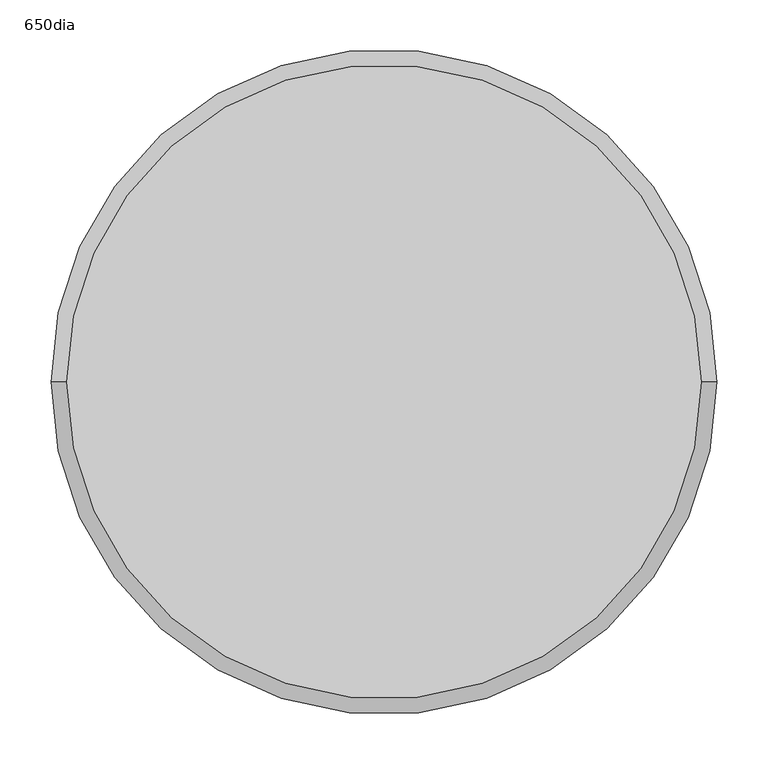
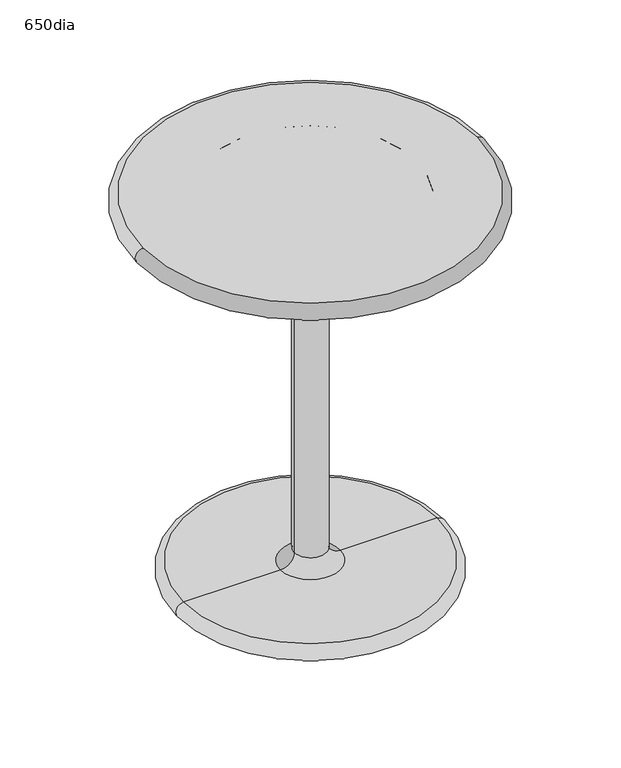
"""IFC4 building model written with IfcOpenShell, lengths in millimetres: furniture geometry, 650dia."""

import ifcopenshell
import ifcopenshell.guid

model = None  # the IFC model being written
_history = None  # IfcOwnerHistory: only IFC2X3 demands one
_inside = {}  # id of a spatial element -> (the spatial element, [elements in it])
_under = {}  # id of a project, library or spatial element -> (it, [spatial elements below it])
_declared = {}  # id of a project -> (the project, [libraries it declares])
_typed = {}  # id of a type object -> (the type object, [elements of that type])
_made_of = {}  # id of a material, layer set ... -> (it, [elements and type objects made of it])


def new_model(schema):
    """Start an empty IFC model of exactly this schema.

    Asked for "IFC4X3", IfcOpenShell would pick the latest addendum, in which some entities
    have other attributes; the version numbers below select the first issue.
    IFC2X3 requires an IfcOwnerHistory on every rooted entity: one is made here for all.
    """
    global model, _history
    if schema == "IFC4X3":
        model = ifcopenshell.file(schema_version=(4, 3, 0, 0))
    else:
        model = ifcopenshell.file(schema=schema)
    _inside.clear()
    _under.clear()
    _declared.clear()
    _typed.clear()
    _made_of.clear()
    _history = None
    if model.schema == "IFC2X3":
        org = make("IfcOrganization", Name="unknown")
        user = make(
            "IfcPersonAndOrganization",
            ThePerson=make("IfcPerson", FamilyName="unknown"),
            TheOrganization=org,
        )
        app = make(
            "IfcApplication",
            ApplicationDeveloper=org,
            Version="unknown",
            ApplicationFullName="unknown",
            ApplicationIdentifier="unknown",
        )
        _history = make(
            "IfcOwnerHistory",
            OwningUser=user,
            OwningApplication=app,
            ChangeAction="ADDED",
            CreationDate=0,
        )
    return model


def make(cls, **values):
    """One entity of the class cls with the attributes given. An attribute that is None is left unset."""
    return model.create_entity(
        cls, **{name: value for name, value in values.items() if value is not None}
    )


def rooted(cls, **values):
    """An entity with a GlobalId (a new one), such as an element, a storey or a relation."""
    return make(cls, GlobalId=ifcopenshell.guid.new(), OwnerHistory=_history, **values)


def si_unit(unit_type, name, prefix=None):
    """IfcSIUnit, for example si_unit("LENGTHUNIT", "METRE", prefix="MILLI")."""
    return make("IfcSIUnit", UnitType=unit_type, Prefix=prefix, Name=name)


def assignment(units):
    """IfcUnitAssignment: the units of a project."""
    return None if units is None else make("IfcUnitAssignment", Units=units)


def point(xyz):
    """IfcCartesianPoint."""
    return None if xyz is None else make("IfcCartesianPoint", Coordinates=xyz)


def direction(xyz):
    """IfcDirection."""
    return None if xyz is None else make("IfcDirection", DirectionRatios=xyz)


def frame(location, z_axis=None, x_axis=None):
    """IfcAxis2Placement3D, a coordinate frame: its origin and axes. An axis left out is left unset."""
    return make(
        "IfcAxis2Placement3D",
        Location=point(location),
        Axis=direction(z_axis),
        RefDirection=direction(x_axis),
    )


def origin():
    """The frame at (0, 0, 0) with its axes left unset."""
    return frame((0.0, 0.0, 0.0))


def place(relative_to, where):
    """IfcLocalPlacement: puts the frame where relative to a parent placement (None: the world)."""
    return make(
        "IfcLocalPlacement", PlacementRelTo=relative_to, RelativePlacement=where
    )


def context(
    kind, dimensions, precision=None, world=None, true_north=None, identifier=None
):
    """IfcGeometricRepresentationContext, for example the 3D "Model" context."""
    return make(
        "IfcGeometricRepresentationContext",
        ContextIdentifier=identifier,
        ContextType=kind,
        CoordinateSpaceDimension=dimensions,
        Precision=precision,
        WorldCoordinateSystem=world,
        TrueNorth=true_north,
    )


def project(units=None, contexts=None):
    """IfcProject with its units and contexts."""
    return rooted(
        "IfcProject",
        Name="project",
        RepresentationContexts=contexts,
        UnitsInContext=assignment(units),
    )


def spatial(cls, under=None, at=None, **own):
    """A site, building, storey or space (cls), placed at a placement, below another one or the project."""
    s = rooted(cls, ObjectPlacement=at, **own)
    if under is not None:
        _under.setdefault(under.id(), (under, []))[1].append(s)
    return s


def circle_curve(where, radius):
    """IfcCircle in the frame where."""
    return make("IfcCircle", Position=where, Radius=radius)


def ellipse_curve(where, semi_axis1, semi_axis2):
    """IfcEllipse in the frame where."""
    return make(
        "IfcEllipse", Position=where, SemiAxis1=semi_axis1, SemiAxis2=semi_axis2
    )


def trimmed(basis, trim1, trim2, sense, master):
    """IfcTrimmedCurve: the piece of a basis curve between two trims."""
    return make(
        "IfcTrimmedCurve",
        BasisCurve=basis,
        Trim1=trim1,
        Trim2=trim2,
        SenseAgreement=sense,
        MasterRepresentation=master,
    )


def shape(context_of_items, identifier, shape_type, items):
    """IfcShapeRepresentation: the items that make up one representation, for example the "Body"."""
    return make(
        "IfcShapeRepresentation",
        ContextOfItems=context_of_items,
        RepresentationIdentifier=identifier,
        RepresentationType=shape_type,
        Items=items,
    )


def source(mapping_origin, context_of_items, identifier, shape_type, items):
    """IfcRepresentationMap: a shape defined once, which mapped items show again and again."""
    return make(
        "IfcRepresentationMap",
        MappingOrigin=mapping_origin,
        MappedRepresentation=shape(context_of_items, identifier, shape_type, items),
    )


def transform(
    local_origin,
    x_axis=None,
    y_axis=None,
    z_axis=None,
    scale=None,
    scale2=None,
    scale3=None,
    uniform=True,
):
    """IfcCartesianTransformationOperator3D, or its non-uniform kind. x_axis, y_axis, z_axis: its Axis1, 2, 3."""
    if uniform:
        return make(
            "IfcCartesianTransformationOperator3D",
            Axis1=direction(x_axis),
            Axis2=direction(y_axis),
            LocalOrigin=point(local_origin),
            Scale=scale,
            Axis3=direction(z_axis),
        )
    return make(
        "IfcCartesianTransformationOperator3DnonUniform",
        Axis1=direction(x_axis),
        Axis2=direction(y_axis),
        LocalOrigin=point(local_origin),
        Scale=scale,
        Axis3=direction(z_axis),
        Scale2=scale2,
        Scale3=scale3,
    )


def mapped(mapping_source, mapping_target):
    """IfcMappedItem: shows the shape of a source again, moved by a transform."""
    return make(
        "IfcMappedItem", MappingSource=mapping_source, MappingTarget=mapping_target
    )


def made_of(thing, what):
    """Note that an element or type object is made of a material, layer set ...; save() writes the relation."""
    if what is not None:
        _made_of.setdefault(what.id(), (what, []))[1].append(thing)
    return thing


def element(
    cls,
    number,
    at=None,
    inside=None,
    cuts=None,
    type_object=None,
    material=None,
    context=None,
    identifier="Body",
    shape_type=None,
    held_by="IfcProductDefinitionShape",
    body=None,
    shapes=None,
    **own,
):
    """One element of the class cls, such as IfcWall. Its Tag is "e" and its number.

    at: its placement. inside: the storey or other place that contains it. cuts: it is an
    opening in that element (IfcRelVoidsElement). A single representation is given by context,
    identifier, shape_type and body (its items); several are given by shapes. held_by: the class
    of the entity that holds the representations. save() writes the other relations.
    """
    e = rooted(cls, Tag="e%d" % number, ObjectPlacement=at, **own)
    if body is not None:
        shapes = [shape(context, identifier, shape_type, body)]
    if shapes is not None:
        e.Representation = make(held_by, Representations=shapes)
    if inside is not None:
        _inside.setdefault(inside.id(), (inside, []))[1].append(e)
    if cuts is not None:
        rooted(
            "IfcRelVoidsElement", RelatingBuildingElement=cuts, RelatedOpeningElement=e
        )
    if type_object is not None:
        _typed.setdefault(type_object.id(), (type_object, []))[1].append(e)
    return made_of(e, material)


def aggregate(whole, parts):
    """IfcRelAggregates: a whole, such as a stair, and the parts it consists of."""
    return rooted("IfcRelAggregates", RelatingObject=whole, RelatedObjects=parts)


def save(model, path):
    """Write the relations noted so far, then the file.

    IfcRelAggregates (storeys below a building ...), IfcRelContainedInSpatialStructure (elements
    in a storey), IfcRelDefinesByType, IfcRelAssociatesMaterial and IfcRelDeclares: one each for
    every whole, place, type object, material and project.
    """
    for whole, parts in _under.values():
        aggregate(whole, parts)
    for where, things in _inside.values():
        rooted(
            "IfcRelContainedInSpatialStructure",
            RelatedElements=things,
            RelatingStructure=where,
        )
    for kind, things in _typed.values():
        rooted("IfcRelDefinesByType", RelatedObjects=things, RelatingType=kind)
    for what, things in _made_of.values():
        rooted("IfcRelAssociatesMaterial", RelatedObjects=things, RelatingMaterial=what)
    for by, libraries in _declared.values():
        rooted("IfcRelDeclares", RelatingContext=by, RelatedDefinitions=libraries)
    model.write(path)


def plane_surface(at):
    """IfcPlane: the flat surface through the origin of the frame at, square to its z axis."""
    return make("IfcPlane", Position=at)


def cylinder_surface(at, radius):
    """IfcCylindricalSurface: all points at the distance radius from the z axis of the frame at."""
    return make("IfcCylindricalSurface", Position=at, Radius=radius)


def revolved_surface(curve, axis_point, axis_direction):
    """IfcSurfaceOfRevolution: the curve turned about the line through axis_point along axis_direction."""
    return make(
        "IfcSurfaceOfRevolution",
        SweptCurve=make("IfcArbitraryOpenProfileDef", ProfileType="CURVE", Curve=curve),
        AxisPosition=make("IfcAxis1Placement", Location=point(axis_point), Axis=direction(axis_direction)),
    )


def advanced_brep(points, edges, surfaces, faces):
    """IfcAdvancedBrep: a solid bounded by faces that lie on surfaces and meet in shared edges.

    An edge is (start, end): straight between two places in points (the first is 0);
    or (start, end, curve); or (start, end, curve, False) where it runs against its curve.
    A face is (place in surfaces, loops), or (place, loops, False) where it looks against
    its surface's normal. A loop lists edges by number (the first is 1), with a minus sign
    where the edge is run from its end to its start. The first loop is the outer one.
    """
    corners = [point(p) for p in points]
    vertices = [make("IfcVertexPoint", VertexGeometry=c) for c in corners]
    made = []
    for start, end, *more in edges:
        made.append(
            make(
                "IfcEdgeCurve",
                EdgeStart=vertices[start],
                EdgeEnd=vertices[end],
                EdgeGeometry=more[0] if more else make("IfcPolyline", Points=[corners[start], corners[end]]),
                SameSense=more[1] if len(more) > 1 else True,
            )
        )
    hull = []
    for where, loops, *sense in faces:
        bounds = []
        for j, loop in enumerate(loops):
            ring = [make("IfcOrientedEdge", EdgeElement=made[abs(k) - 1], Orientation=k > 0) for k in loop]
            bounds.append(
                make(
                    "IfcFaceOuterBound" if j == 0 else "IfcFaceBound",
                    Bound=make("IfcEdgeLoop", EdgeList=ring),
                    Orientation=True,
                )
            )
        hull.append(make("IfcAdvancedFace", Bounds=bounds, FaceSurface=surfaces[where], SameSense=sense[0] if sense else True))
    return make("IfcAdvancedBrep", Outer=make("IfcClosedShell", CfsFaces=hull))


def furniture_650dia_da389015(model_context):
    return source(origin(), model_context, "Body", "AdvancedBrep", [
        advanced_brep(
        [(-309.7586126, 0.0, 750.0709295), (309.7586126, 0.0, 750.0709295), (309.7586126, 0.0, 719.9289484), (-309.7586126, 0.0, 719.9289484)],
        [
            (0, 1, circle_curve(frame((0.0, 0.0, 750.0709295), z_axis=(0.0, 0.0, 1.0), x_axis=(-1.0, 0.0, 0.0)), 309.7586126)),
            (1, 0, circle_curve(frame((0.0, 0.0, 750.0709295), z_axis=(0.0, 0.0, 1.0), x_axis=(1.0, 0.0, 0.0)), 309.7586126)),
            (2, 3, circle_curve(frame((0.0, 0.0, 719.9289484), z_axis=(0.0, 0.0, -1.0), x_axis=(-1.0, 0.0, 0.0)), 309.7586126)),
            (3, 2, circle_curve(frame((0.0, 0.0, 719.9289484), z_axis=(0.0, 0.0, -1.0), x_axis=(1.0, 0.0, 0.0)), 309.7586126)),
            (0, 3, circle_curve(frame((-309.7586126, 0.0, 734.999939), z_axis=(0.0, -1.0, 0.0), x_axis=(1.0, 0.0, 0.0)), 15.0709905)),
            (2, 1, circle_curve(frame((309.7586126, 0.0, 734.999939), z_axis=(0.0, -1.0, 0.0), x_axis=(-1.0, 0.0, 0.0)), 15.0709905)),
        ],
        [
            plane_surface(frame((-309.7586126, 0.0, 750.0709295), z_axis=(0.0, 0.0, 1.0), x_axis=(0.0, -1.0, 0.0))),
            plane_surface(frame((-309.7586126, 0.0, 719.9289484), z_axis=(0.0, 0.0, -1.0), x_axis=(0.0, 1.0, 0.0))),
            revolved_surface(trimmed(ellipse_curve(frame((-309.7586126, 0.0, 734.999939), z_axis=(0.0, 1.0, 0.0), x_axis=(1.0, 0.0, 0.0)), 15.0709905, 15.0709905), [point((-309.7586126, 0.0, 719.9289484))], [point((-309.7586126, 0.0, 750.0709295))], True, "CARTESIAN"), (0.0, 0.0, 0.0), (0.0, 0.0, 1.0)),
            revolved_surface(trimmed(ellipse_curve(frame((309.7586126, 0.0, 734.999939), z_axis=(0.0, -1.0, 0.0), x_axis=(-1.0, 0.0, 0.0)), 15.0709905, 15.0709905), [point((309.7586126, 0.0, 719.9289484))], [point((309.7586126, 0.0, 750.0709295))], True, "CARTESIAN"), (0.0, 0.0, 0.0), (0.0, 0.0, 1.0)),
        ],
        [
            (0, [[1, 2]]),
            (1, [[3, 4]]),
            (2, [[5, -3, 6, -1]]),
            (3, [[-5, -2, -6, -4]]),
        ],
    ),
        advanced_brep(
        [(-184.15, 0.0, 749.999939), (-184.15, 0.0, 719.999939), (184.15, 0.0, 719.999939), (184.15, 0.0, 749.999939)],
        [
            (0, 1, circle_curve(frame((-184.15, 0.0, 734.999939), z_axis=(0.0, -1.0, 0.0), x_axis=(1.0, 0.0, 0.0)), 15.0)),
            (1, 2, circle_curve(frame((0.0, 0.0, 719.999939), z_axis=(0.0, 0.0, 1.0), x_axis=(-1.0, 0.0, 0.0)), 184.15)),
            (2, 3, circle_curve(frame((184.15, 0.0, 734.999939), z_axis=(0.0, -1.0, 0.0), x_axis=(-1.0, 0.0, 0.0)), 15.0)),
            (3, 0, circle_curve(frame((0.0, 0.0, 749.999939), z_axis=(0.0, 0.0, -1.0), x_axis=(-1.0, 0.0, 0.0)), 184.15)),
            (0, 3, circle_curve(frame((0.0, 0.0, 749.999939), z_axis=(0.0, 0.0, -1.0), x_axis=(1.0, 0.0, 0.0)), 184.15)),
            (2, 1, circle_curve(frame((0.0, 0.0, 719.999939), z_axis=(0.0, 0.0, 1.0), x_axis=(1.0, 0.0, 0.0)), 184.15)),
        ],
        [
            revolved_surface(trimmed(ellipse_curve(frame((-184.15, 0.0, 734.999939), z_axis=(0.0, 1.0, 0.0), x_axis=(1.0, 0.0, 0.0)), 15.0, 15.0), [point((-184.15, 0.0, 719.999939))], [point((-184.15, 0.0, 749.999939))], True, "CARTESIAN"), (0.0, 0.0, 0.0), (0.0, 0.0, 1.0)),
            revolved_surface(trimmed(ellipse_curve(frame((184.15, 0.0, 734.999939), z_axis=(0.0, -1.0, 0.0), x_axis=(-1.0, 0.0, 0.0)), 15.0, 15.0), [point((184.15, 0.0, 719.999939))], [point((184.15, 0.0, 749.999939))], True, "CARTESIAN"), (0.0, 0.0, 0.0), (0.0, 0.0, 1.0)),
            plane_surface(frame((184.15, 0.0, 749.999939), z_axis=(0.0, 0.0, 1.0), x_axis=(0.0, 1.0, 0.0))),
            plane_surface(frame((184.15, 0.0, 719.999939), z_axis=(0.0, 0.0, -1.0), x_axis=(0.0, -1.0, 0.0))),
        ],
        [
            (0, [[1, 2, 3, 4]]),
            (1, [[-1, 5, -3, 6]]),
            (2, [[-4, -5]]),
            (3, [[-2, -6]]),
        ],
    ),
        advanced_brep(
        [(55.0072632, 0.0, 720.0001831), (-55.0072632, 0.0, 720.0001831), (0.0, 0.0, 720.0001831), (29.9990234, 0.0, 694.9919434), (-29.9990234, 0.0, 694.9919434), (29.9990234, 0.0, 55.4000119), (-29.9990234, 0.0, 55.4000119), (55.3990234, 0.0, 30.0000119), (-55.3990234, 0.0, 30.0000119), (235.0109929, 0.0, 30.0000119), (-235.0109929, 0.0, 30.0000119), (235.0109929, 0.0, 0.0), (-235.0109929, 0.0, 0.0), (0.0, 0.0, 0.0)],
        [
            (0, 1, circle_curve(frame((0.0, 0.0, 720.0001831), z_axis=(0.0, 0.0, 1.0), x_axis=(-1.0, 0.0, 0.0)), 55.0072632)),
            (1, 2),
            (2, 0),
            (1, 0, circle_curve(frame((0.0, 0.0, 720.0001831), z_axis=(0.0, 0.0, 1.0), x_axis=(-1.0, 0.0, 0.0)), 55.0072632)),
            (3, 4, circle_curve(frame((0.0, 0.0, 694.9919434), z_axis=(0.0, 0.0, 1.0), x_axis=(-1.0, 0.0, 0.0)), 29.9990234)),
            (4, 1, circle_curve(frame((-55.0072632, 0.0, 694.9919434), z_axis=(0.0, -1.0, 0.0), x_axis=(1.0, 0.0, 0.0)), 25.0082397)),
            (0, 3, circle_curve(frame((55.0072632, 0.0, 694.9919434), z_axis=(0.0, -1.0, 0.0), x_axis=(-1.0, 0.0, 0.0)), 25.0082397)),
            (4, 3, circle_curve(frame((0.0, 0.0, 694.9919434), z_axis=(0.0, 0.0, 1.0), x_axis=(-1.0, 0.0, 0.0)), 29.9990234)),
            (5, 6, circle_curve(frame((0.0, 0.0, 55.4000119), z_axis=(0.0, 0.0, 1.0), x_axis=(-1.0, 0.0, 0.0)), 29.9990234)),
            (6, 4),
            (3, 5),
            (6, 5, circle_curve(frame((0.0, 0.0, 55.4000119), z_axis=(0.0, 0.0, 1.0), x_axis=(-1.0, 0.0, 0.0)), 29.9990234)),
            (7, 8, circle_curve(frame((0.0, 0.0, 30.0000119), z_axis=(0.0, 0.0, 1.0), x_axis=(-1.0, 0.0, 0.0)), 55.3990234)),
            (8, 6, circle_curve(frame((-55.3990234, 0.0, 55.4000119), z_axis=(0.0, -1.0, 0.0), x_axis=(1.0, 0.0, 0.0)), 25.4)),
            (5, 7, circle_curve(frame((55.3990234, 0.0, 55.4000119), z_axis=(0.0, -1.0, 0.0), x_axis=(-1.0, 0.0, 0.0)), 25.4)),
            (8, 7, circle_curve(frame((0.0, 0.0, 30.0000119), z_axis=(0.0, 0.0, 1.0), x_axis=(-1.0, 0.0, 0.0)), 55.3990234)),
            (9, 10, circle_curve(frame((0.0, 0.0, 30.0000119), z_axis=(0.0, 0.0, 1.0), x_axis=(-1.0, 0.0, 0.0)), 235.0109929)),
            (10, 8),
            (7, 9),
            (10, 9, circle_curve(frame((0.0, 0.0, 30.0000119), z_axis=(0.0, 0.0, 1.0), x_axis=(-1.0, 0.0, 0.0)), 235.0109929)),
            (11, 12, circle_curve(frame((0.0, 0.0, 0.0), z_axis=(0.0, 0.0, 1.0), x_axis=(-1.0, 0.0, 0.0)), 235.0109929)),
            (12, 10, circle_curve(frame((-235.0109929, 0.0, 15.000006), z_axis=(0.0, 1.0, 0.0), x_axis=(1.0, 0.0, 0.0)), 15.000006)),
            (9, 11, circle_curve(frame((235.0109929, 0.0, 15.000006), z_axis=(0.0, 1.0, 0.0), x_axis=(-1.0, 0.0, 0.0)), 15.000006)),
            (12, 11, circle_curve(frame((0.0, 0.0, 0.0), z_axis=(0.0, 0.0, 1.0), x_axis=(-1.0, 0.0, 0.0)), 235.0109929)),
            (13, 12),
            (11, 13),
        ],
        [
            plane_surface(frame((0.0, 0.0, 720.0001831), z_axis=(0.0, 0.0, 1.0), x_axis=(-1.0, 0.0, 0.0))),
            revolved_surface(trimmed(ellipse_curve(frame((-55.0072632, 0.0, 694.9919434), z_axis=(0.0, 1.0, 0.0), x_axis=(1.0, 0.0, 0.0)), 25.0082397, 25.0082397), [point((-55.0072632, 0.0, 720.0001831))], [point((-29.9990234, 0.0, 694.9919434))], True, "CARTESIAN"), (0.0, 0.0, 821.6001831), (0.0, 0.0, -1.0)),
            cylinder_surface(frame((0.0, 0.0, 821.6001831), z_axis=(0.0, 0.0, -1.0), x_axis=(-1.0, 0.0, 0.0)), 29.9990234),
            revolved_surface(trimmed(ellipse_curve(frame((-55.3990234, 0.0, 55.4000119), z_axis=(0.0, 1.0, 0.0), x_axis=(1.0, 0.0, 0.0)), 25.4, 25.4), [point((-29.9990234, 0.0, 55.4000119))], [point((-55.3990234, 0.0, 30.0000119))], True, "CARTESIAN"), (0.0, 0.0, 821.6001831), (0.0, 0.0, -1.0)),
            plane_surface(frame((0.0, 0.0, 30.0000119), z_axis=(0.0, 0.0, 1.0), x_axis=(-1.0, 0.0, 0.0))),
            revolved_surface(trimmed(ellipse_curve(frame((-235.0109929, 0.0, 15.000006), z_axis=(0.0, -1.0, 0.0), x_axis=(1.0, 0.0, 0.0)), 15.000006, 15.000006), [point((-235.0109929, 0.0, 30.0000119))], [point((-235.0109929, 0.0, 0.0))], True, "CARTESIAN"), (0.0, 0.0, 821.6001831), (0.0, 0.0, -1.0)),
            plane_surface(frame((0.0, 0.0, 0.0), z_axis=(0.0, 0.0, -1.0), x_axis=(-1.0, 0.0, 0.0))),
        ],
        [
            (0, [[1, 2, 3]]),
            (0, [[4, -3, -2]]),
            (1, [[5, 6, -1, 7]]),
            (1, [[8, -7, -4, -6]]),
            (2, [[9, 10, -5, 11]]),
            (2, [[12, -11, -8, -10]]),
            (3, [[13, 14, -9, 15]]),
            (3, [[16, -15, -12, -14]]),
            (4, [[17, 18, -13, 19]]),
            (4, [[20, -19, -16, -18]]),
            (5, [[21, 22, -17, 23]]),
            (5, [[24, -23, -20, -22]]),
            (6, [[25, -21, 26]]),
            (6, [[-26, -24, -25]]),
        ],
    ),
    ])


if __name__ == "__main__":
    model = new_model("IFC4")
    model_context = context("Model", 3, world=origin())
    ifc_project = project(units=[si_unit("LENGTHUNIT", "METRE", prefix="MILLI")], contexts=[model_context])
    site = spatial("IfcSite", under=ifc_project)
    building = spatial("IfcBuilding", under=site)
    placement = place(None, origin())
    furniture_650dia_shape = furniture_650dia_da389015(model_context)
    element("IfcFurniture", 1, ObjectType="650dia", at=placement, inside=building, context=model_context, shape_type="MappedRepresentation", body=[
        mapped(furniture_650dia_shape, transform((0.0, 0.0, 0.0), x_axis=(1.0, 0.0, 0.0), y_axis=(0.0, 1.0, 0.0), z_axis=(0.0, 0.0, 1.0))),
    ])
    save(model, "model.ifc")
